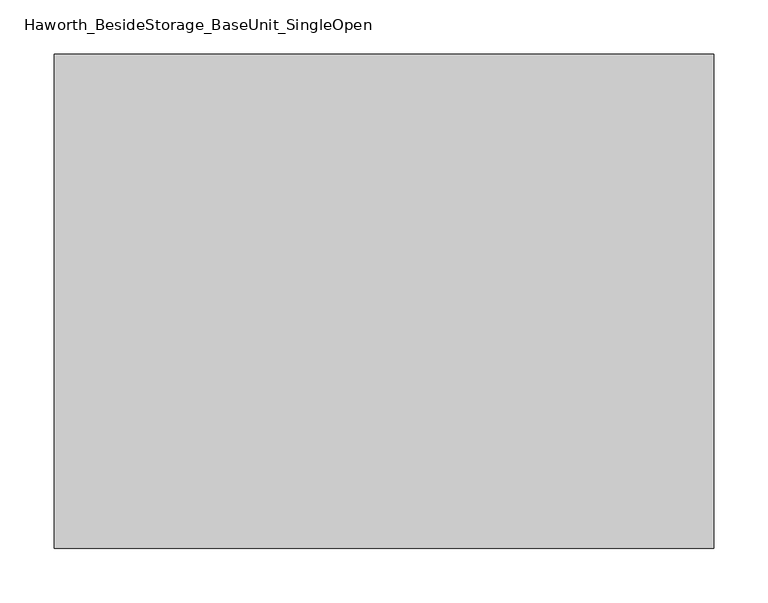
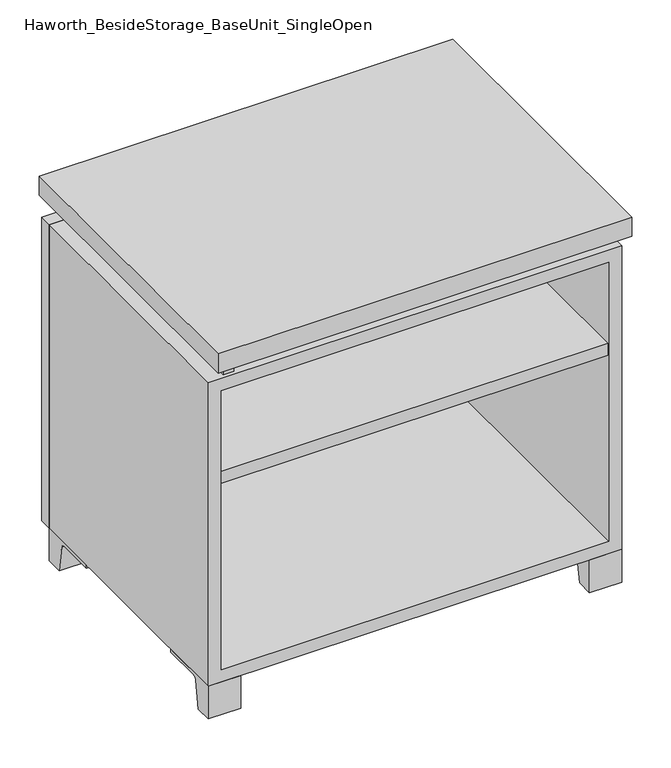
"""IFC4 building model written with IfcOpenShell, lengths in millimetres: furniture geometry, Haworth_BesideStorage_BaseUnit_SingleOpen."""

import ifcopenshell
import ifcopenshell.guid

model = None  # the IFC model being written
_history = None  # IfcOwnerHistory: only IFC2X3 demands one
_inside = {}  # id of a spatial element -> (the spatial element, [elements in it])
_under = {}  # id of a project, library or spatial element -> (it, [spatial elements below it])
_declared = {}  # id of a project -> (the project, [libraries it declares])
_typed = {}  # id of a type object -> (the type object, [elements of that type])
_made_of = {}  # id of a material, layer set ... -> (it, [elements and type objects made of it])


def new_model(schema):
    """Start an empty IFC model of exactly this schema.

    Asked for "IFC4X3", IfcOpenShell would pick the latest addendum, in which some entities
    have other attributes; the version numbers below select the first issue.
    IFC2X3 requires an IfcOwnerHistory on every rooted entity: one is made here for all.
    """
    global model, _history
    if schema == "IFC4X3":
        model = ifcopenshell.file(schema_version=(4, 3, 0, 0))
    else:
        model = ifcopenshell.file(schema=schema)
    _inside.clear()
    _under.clear()
    _declared.clear()
    _typed.clear()
    _made_of.clear()
    _history = None
    if model.schema == "IFC2X3":
        org = make("IfcOrganization", Name="unknown")
        user = make(
            "IfcPersonAndOrganization",
            ThePerson=make("IfcPerson", FamilyName="unknown"),
            TheOrganization=org,
        )
        app = make(
            "IfcApplication",
            ApplicationDeveloper=org,
            Version="unknown",
            ApplicationFullName="unknown",
            ApplicationIdentifier="unknown",
        )
        _history = make(
            "IfcOwnerHistory",
            OwningUser=user,
            OwningApplication=app,
            ChangeAction="ADDED",
            CreationDate=0,
        )
    return model


def make(cls, **values):
    """One entity of the class cls with the attributes given. An attribute that is None is left unset."""
    return model.create_entity(
        cls, **{name: value for name, value in values.items() if value is not None}
    )


def rooted(cls, **values):
    """An entity with a GlobalId (a new one), such as an element, a storey or a relation."""
    return make(cls, GlobalId=ifcopenshell.guid.new(), OwnerHistory=_history, **values)


def si_unit(unit_type, name, prefix=None):
    """IfcSIUnit, for example si_unit("LENGTHUNIT", "METRE", prefix="MILLI")."""
    return make("IfcSIUnit", UnitType=unit_type, Prefix=prefix, Name=name)


def assignment(units):
    """IfcUnitAssignment: the units of a project."""
    return None if units is None else make("IfcUnitAssignment", Units=units)


def point(xyz):
    """IfcCartesianPoint."""
    return None if xyz is None else make("IfcCartesianPoint", Coordinates=xyz)


def direction(xyz):
    """IfcDirection."""
    return None if xyz is None else make("IfcDirection", DirectionRatios=xyz)


def frame(location, z_axis=None, x_axis=None):
    """IfcAxis2Placement3D, a coordinate frame: its origin and axes. An axis left out is left unset."""
    return make(
        "IfcAxis2Placement3D",
        Location=point(location),
        Axis=direction(z_axis),
        RefDirection=direction(x_axis),
    )


def frame_2d(location, x_axis=None):
    """IfcAxis2Placement2D, a coordinate frame in the plane: its origin and x axis."""
    return make(
        "IfcAxis2Placement2D", Location=point(location), RefDirection=direction(x_axis)
    )


def origin():
    """The frame at (0, 0, 0) with its axes left unset."""
    return frame((0.0, 0.0, 0.0))


def place(relative_to, where):
    """IfcLocalPlacement: puts the frame where relative to a parent placement (None: the world)."""
    return make(
        "IfcLocalPlacement", PlacementRelTo=relative_to, RelativePlacement=where
    )


def context(
    kind, dimensions, precision=None, world=None, true_north=None, identifier=None
):
    """IfcGeometricRepresentationContext, for example the 3D "Model" context."""
    return make(
        "IfcGeometricRepresentationContext",
        ContextIdentifier=identifier,
        ContextType=kind,
        CoordinateSpaceDimension=dimensions,
        Precision=precision,
        WorldCoordinateSystem=world,
        TrueNorth=true_north,
    )


def project(units=None, contexts=None):
    """IfcProject with its units and contexts."""
    return rooted(
        "IfcProject",
        Name="project",
        RepresentationContexts=contexts,
        UnitsInContext=assignment(units),
    )


def spatial(cls, under=None, at=None, **own):
    """A site, building, storey or space (cls), placed at a placement, below another one or the project."""
    s = rooted(cls, ObjectPlacement=at, **own)
    if under is not None:
        _under.setdefault(under.id(), (under, []))[1].append(s)
    return s


def polyline(points):
    """IfcPolyline through the points."""
    return make("IfcPolyline", Points=[point(p) for p in points])


def circle_curve(where, radius):
    """IfcCircle in the frame where."""
    return make("IfcCircle", Position=where, Radius=radius)


def trimmed(basis, trim1, trim2, sense, master):
    """IfcTrimmedCurve: the piece of a basis curve between two trims."""
    return make(
        "IfcTrimmedCurve",
        BasisCurve=basis,
        Trim1=trim1,
        Trim2=trim2,
        SenseAgreement=sense,
        MasterRepresentation=master,
    )


def segment(curve, same_sense, transition):
    """IfcCompositeCurveSegment."""
    return make(
        "IfcCompositeCurveSegment",
        Transition=transition,
        SameSense=same_sense,
        ParentCurve=curve,
    )


def composite_curve(segments, self_intersect=None):
    """IfcCompositeCurve: segments joined end to end."""
    return make("IfcCompositeCurve", Segments=segments, SelfIntersect=self_intersect)


def outline(outer, holes=None, kind="AREA"):
    """IfcArbitraryClosedProfileDef: a profile drawn as a closed curve; with holes, ...WithVoids."""
    if holes is None:
        return make("IfcArbitraryClosedProfileDef", ProfileType=kind, OuterCurve=outer)
    return make(
        "IfcArbitraryProfileDefWithVoids",
        ProfileType=kind,
        OuterCurve=outer,
        InnerCurves=holes,
    )


def extrude(swept, where, along, depth):
    """IfcExtrudedAreaSolid: the profile swept, set in the frame where, extruded along a direction by depth."""
    return make(
        "IfcExtrudedAreaSolid",
        SweptArea=swept,
        Position=where,
        ExtrudedDirection=direction(along),
        Depth=depth,
    )


def shape(context_of_items, identifier, shape_type, items):
    """IfcShapeRepresentation: the items that make up one representation, for example the "Body"."""
    return make(
        "IfcShapeRepresentation",
        ContextOfItems=context_of_items,
        RepresentationIdentifier=identifier,
        RepresentationType=shape_type,
        Items=items,
    )


def source(mapping_origin, context_of_items, identifier, shape_type, items):
    """IfcRepresentationMap: a shape defined once, which mapped items show again and again."""
    return make(
        "IfcRepresentationMap",
        MappingOrigin=mapping_origin,
        MappedRepresentation=shape(context_of_items, identifier, shape_type, items),
    )


def transform(
    local_origin,
    x_axis=None,
    y_axis=None,
    z_axis=None,
    scale=None,
    scale2=None,
    scale3=None,
    uniform=True,
):
    """IfcCartesianTransformationOperator3D, or its non-uniform kind. x_axis, y_axis, z_axis: its Axis1, 2, 3."""
    if uniform:
        return make(
            "IfcCartesianTransformationOperator3D",
            Axis1=direction(x_axis),
            Axis2=direction(y_axis),
            LocalOrigin=point(local_origin),
            Scale=scale,
            Axis3=direction(z_axis),
        )
    return make(
        "IfcCartesianTransformationOperator3DnonUniform",
        Axis1=direction(x_axis),
        Axis2=direction(y_axis),
        LocalOrigin=point(local_origin),
        Scale=scale,
        Axis3=direction(z_axis),
        Scale2=scale2,
        Scale3=scale3,
    )


def mapped(mapping_source, mapping_target):
    """IfcMappedItem: shows the shape of a source again, moved by a transform."""
    return make(
        "IfcMappedItem", MappingSource=mapping_source, MappingTarget=mapping_target
    )


def made_of(thing, what):
    """Note that an element or type object is made of a material, layer set ...; save() writes the relation."""
    if what is not None:
        _made_of.setdefault(what.id(), (what, []))[1].append(thing)
    return thing


def element(
    cls,
    number,
    at=None,
    inside=None,
    cuts=None,
    type_object=None,
    material=None,
    context=None,
    identifier="Body",
    shape_type=None,
    held_by="IfcProductDefinitionShape",
    body=None,
    shapes=None,
    **own,
):
    """One element of the class cls, such as IfcWall. Its Tag is "e" and its number.

    at: its placement. inside: the storey or other place that contains it. cuts: it is an
    opening in that element (IfcRelVoidsElement). A single representation is given by context,
    identifier, shape_type and body (its items); several are given by shapes. held_by: the class
    of the entity that holds the representations. save() writes the other relations.
    """
    e = rooted(cls, Tag="e%d" % number, ObjectPlacement=at, **own)
    if body is not None:
        shapes = [shape(context, identifier, shape_type, body)]
    if shapes is not None:
        e.Representation = make(held_by, Representations=shapes)
    if inside is not None:
        _inside.setdefault(inside.id(), (inside, []))[1].append(e)
    if cuts is not None:
        rooted(
            "IfcRelVoidsElement", RelatingBuildingElement=cuts, RelatedOpeningElement=e
        )
    if type_object is not None:
        _typed.setdefault(type_object.id(), (type_object, []))[1].append(e)
    return made_of(e, material)


def aggregate(whole, parts):
    """IfcRelAggregates: a whole, such as a stair, and the parts it consists of."""
    return rooted("IfcRelAggregates", RelatingObject=whole, RelatedObjects=parts)


def save(model, path):
    """Write the relations noted so far, then the file.

    IfcRelAggregates (storeys below a building ...), IfcRelContainedInSpatialStructure (elements
    in a storey), IfcRelDefinesByType, IfcRelAssociatesMaterial and IfcRelDeclares: one each for
    every whole, place, type object, material and project.
    """
    for whole, parts in _under.values():
        aggregate(whole, parts)
    for where, things in _inside.values():
        rooted(
            "IfcRelContainedInSpatialStructure",
            RelatedElements=things,
            RelatingStructure=where,
        )
    for kind, things in _typed.values():
        rooted("IfcRelDefinesByType", RelatedObjects=things, RelatingType=kind)
    for what, things in _made_of.values():
        rooted("IfcRelAssociatesMaterial", RelatedObjects=things, RelatingMaterial=what)
    for by, libraries in _declared.values():
        rooted("IfcRelDeclares", RelatingContext=by, RelatedDefinitions=libraries)
    model.write(path)


def haworth_besidestorage_baseunit_singleopen_46699001(model_context):
    return source(origin(), model_context, "Body", "SweptSolid", [
        extrude(outline(polyline([(285.7638906, 222.25), (285.7638906, -136.525), (-285.7361094, -136.525), (-285.7361094, 222.25), (285.7638906, 222.25)])), frame((0.0, 0.0, 357.98125), z_axis=(0.0, 0.0, 1.0), x_axis=(1.0, 0.0, 0.0)), (0.0, 0.0, 1.0), 19.05),
        extrude(outline(polyline([(304.8138906, 292.1), (304.8138906, -165.1), (-304.7861094, -165.1), (-304.7861094, 292.1), (304.8138906, 292.1)])), frame((0.0, 0.0, 554.0375), z_axis=(0.0, 0.0, 1.0), x_axis=(1.0, 0.0, 0.0)), (0.0, 0.0, 1.0), 30.1625),
        extrude(outline(composite_curve([segment(polyline([(-114.3000136, 0.0), (-139.7, 0.0), (-139.7, 50.8), (-44.45, 50.8), (-44.45, 46.0213321), (-101.2505345, 46.0213321)]), True, "CONTINUOUS"), segment(trimmed(circle_curve(frame_2d((-101.2505345, 39.6713321)), 6.35), [point((-101.2505345, 46.0213321))], [point((-107.5141359, 40.7152656))], True, "CARTESIAN"), True, "CONTINUOUS"), segment(polyline([(-107.5141359, 40.7152656), (-114.3000136, 0.0)]), True, "CONTINUOUS")], self_intersect=False)), frame((257.1888906, 0.0, 0.0), z_axis=(1.0, 0.0, 0.0), x_axis=(0.0, 1.0, 0.0)), (0.0, 0.0, 1.0), 47.625),
        extrude(outline(composite_curve([segment(polyline([(241.3000136, 0.0), (234.5141359, 40.7152656)]), True, "CONTINUOUS"), segment(trimmed(circle_curve(frame_2d((228.2505345, 39.6713321)), 6.35), [point((234.5141359, 40.7152656))], [point((228.2505345, 46.0213321))], True, "CARTESIAN"), True, "CONTINUOUS"), segment(polyline([(228.2505345, 46.0213321), (171.45, 46.0213321), (171.45, 50.8), (266.7, 50.8), (266.7, 0.0), (241.3000136, 0.0)]), True, "CONTINUOUS")], self_intersect=False)), frame((257.1888906, 0.0, 0.0), z_axis=(1.0, 0.0, 0.0), x_axis=(0.0, 1.0, 0.0)), (0.0, 0.0, 1.0), 47.625),
        extrude(outline(composite_curve([segment(polyline([(-114.3000136, 0.0), (-139.7, 0.0), (-139.7, 50.8), (-44.45, 50.8), (-44.45, 46.0213321), (-101.2505345, 46.0213321)]), True, "CONTINUOUS"), segment(trimmed(circle_curve(frame_2d((-101.2505345, 39.6713321)), 6.35), [point((-101.2505345, 46.0213321))], [point((-107.5141359, 40.7152656))], True, "CARTESIAN"), True, "CONTINUOUS"), segment(polyline([(-107.5141359, 40.7152656), (-114.3000136, 0.0)]), True, "CONTINUOUS")], self_intersect=False)), frame((-304.7861094, 0.0, 0.0), z_axis=(1.0, 0.0, 0.0), x_axis=(0.0, 1.0, 0.0)), (0.0, 0.0, 1.0), 47.625),
        extrude(outline(composite_curve([segment(polyline([(241.3000136, 0.0), (234.5141359, 40.7152656)]), True, "CONTINUOUS"), segment(trimmed(circle_curve(frame_2d((228.2505345, 39.6713321)), 6.35), [point((234.5141359, 40.7152656))], [point((228.2505345, 46.0213321))], True, "CARTESIAN"), True, "CONTINUOUS"), segment(polyline([(228.2505345, 46.0213321), (171.45, 46.0213321), (171.45, 50.8), (266.7, 50.8), (266.7, 0.0), (241.3000136, 0.0)]), True, "CONTINUOUS")], self_intersect=False)), frame((-304.7861094, 0.0, 0.0), z_axis=(1.0, 0.0, 0.0), x_axis=(0.0, 1.0, 0.0)), (0.0, 0.0, 1.0), 47.625),
        extrude(outline(polyline([(-279.3791641, -133.35), (-279.3791641, 234.95), (-263.5041641, 234.95), (-263.5041641, 73.025), (263.5111094, 73.025), (263.5111094, 247.65), (279.3861094, 247.65), (279.3861094, -120.65), (263.5111094, -120.65), (263.5111094, 53.975), (-263.5041641, 53.975), (-263.5041641, -133.35), (-279.3791641, -133.35)])), frame((0.0, 0.0, 523.875), z_axis=(0.0, 0.0, 1.0), x_axis=(1.0, 0.0, 0.0)), (0.0, 0.0, 1.0), 30.1625),
        extrude(outline(polyline([(304.8138906, 266.7), (-304.7861094, 266.7), (-304.7861094, 285.75), (304.8138906, 285.75), (304.8138906, 266.7)])), frame((0.0, 0.0, 50.8), z_axis=(0.0, 0.0, 1.0), x_axis=(1.0, 0.0, 0.0)), (0.0, 0.0, 1.0), 473.075),
        extrude(outline(polyline([(50.8, -304.7861094), (50.8, 304.8138906), (523.875, 304.8138906), (523.875, -304.7861094), (50.8, -304.7861094)]), holes=[polyline([(69.85, -285.7361094), (504.825, -285.7361094), (504.825, 285.7569453), (69.85, 285.7569453), (69.85, -285.7361094)])]), frame((0.0, -139.7, 0.0), z_axis=(0.0, 1.0, 0.0), x_axis=(0.0, 0.0, 1.0)), (0.0, 0.0, 1.0), 406.4),
        extrude(outline(polyline([(-285.7291641, 234.95), (-285.7291641, 241.3), (285.7569453, 241.3), (285.7569453, 234.95), (-285.7291641, 234.95)])), frame((0.0, 0.0, 69.85), z_axis=(0.0, 0.0, 1.0), x_axis=(1.0, 0.0, 0.0)), (0.0, 0.0, 1.0), 434.975),
    ])


if __name__ == "__main__":
    model = new_model("IFC4")
    model_context = context("Model", 3, world=origin())
    ifc_project = project(units=[si_unit("LENGTHUNIT", "METRE", prefix="MILLI")], contexts=[model_context])
    site = spatial("IfcSite", under=ifc_project)
    building = spatial("IfcBuilding", under=site)
    placement = place(None, origin())
    haworth_besidestorage_baseunit_singleopen_shape = haworth_besidestorage_baseunit_singleopen_46699001(model_context)
    element("IfcFurniture", 1, ObjectType="Haworth_BesideStorage_BaseUnit_SingleOpen", at=placement, inside=building, context=model_context, shape_type="MappedRepresentation", body=[
        mapped(haworth_besidestorage_baseunit_singleopen_shape, transform((0.0, 0.0, 0.0), x_axis=(1.0, 0.0, 0.0), y_axis=(0.0, 1.0, 0.0), z_axis=(0.0, 0.0, 1.0))),
    ])
    save(model, "model.ifc")
